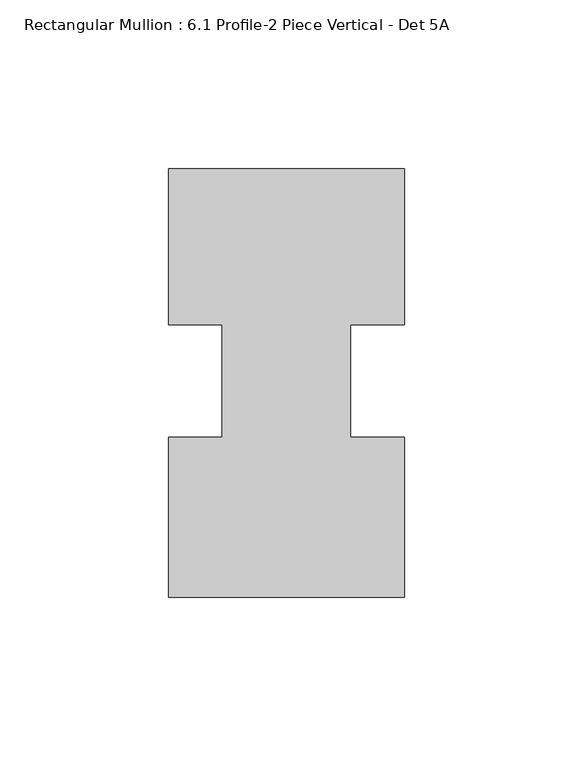
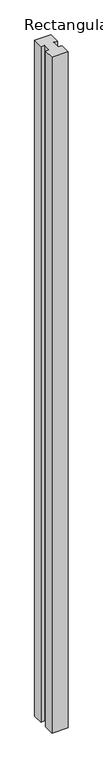
"""IFC4 building model written with IfcOpenShell, lengths in millimetres: member geometry, Rectangular Mullion : 6.1 Profile-2 Piece Vertical - Det 5A."""

import ifcopenshell
import ifcopenshell.guid

model = None  # the IFC model being written
_history = None  # IfcOwnerHistory: only IFC2X3 demands one
_inside = {}  # id of a spatial element -> (the spatial element, [elements in it])
_under = {}  # id of a project, library or spatial element -> (it, [spatial elements below it])
_declared = {}  # id of a project -> (the project, [libraries it declares])
_typed = {}  # id of a type object -> (the type object, [elements of that type])
_made_of = {}  # id of a material, layer set ... -> (it, [elements and type objects made of it])


def new_model(schema):
    """Start an empty IFC model of exactly this schema.

    Asked for "IFC4X3", IfcOpenShell would pick the latest addendum, in which some entities
    have other attributes; the version numbers below select the first issue.
    IFC2X3 requires an IfcOwnerHistory on every rooted entity: one is made here for all.
    """
    global model, _history
    if schema == "IFC4X3":
        model = ifcopenshell.file(schema_version=(4, 3, 0, 0))
    else:
        model = ifcopenshell.file(schema=schema)
    _inside.clear()
    _under.clear()
    _declared.clear()
    _typed.clear()
    _made_of.clear()
    _history = None
    if model.schema == "IFC2X3":
        org = make("IfcOrganization", Name="unknown")
        user = make(
            "IfcPersonAndOrganization",
            ThePerson=make("IfcPerson", FamilyName="unknown"),
            TheOrganization=org,
        )
        app = make(
            "IfcApplication",
            ApplicationDeveloper=org,
            Version="unknown",
            ApplicationFullName="unknown",
            ApplicationIdentifier="unknown",
        )
        _history = make(
            "IfcOwnerHistory",
            OwningUser=user,
            OwningApplication=app,
            ChangeAction="ADDED",
            CreationDate=0,
        )
    return model


def make(cls, **values):
    """One entity of the class cls with the attributes given. An attribute that is None is left unset."""
    return model.create_entity(
        cls, **{name: value for name, value in values.items() if value is not None}
    )


def rooted(cls, **values):
    """An entity with a GlobalId (a new one), such as an element, a storey or a relation."""
    return make(cls, GlobalId=ifcopenshell.guid.new(), OwnerHistory=_history, **values)


def si_unit(unit_type, name, prefix=None):
    """IfcSIUnit, for example si_unit("LENGTHUNIT", "METRE", prefix="MILLI")."""
    return make("IfcSIUnit", UnitType=unit_type, Prefix=prefix, Name=name)


def assignment(units):
    """IfcUnitAssignment: the units of a project."""
    return None if units is None else make("IfcUnitAssignment", Units=units)


def point(xyz):
    """IfcCartesianPoint."""
    return None if xyz is None else make("IfcCartesianPoint", Coordinates=xyz)


def direction(xyz):
    """IfcDirection."""
    return None if xyz is None else make("IfcDirection", DirectionRatios=xyz)


def frame(location, z_axis=None, x_axis=None):
    """IfcAxis2Placement3D, a coordinate frame: its origin and axes. An axis left out is left unset."""
    return make(
        "IfcAxis2Placement3D",
        Location=point(location),
        Axis=direction(z_axis),
        RefDirection=direction(x_axis),
    )


def origin():
    """The frame at (0, 0, 0) with its axes left unset."""
    return frame((0.0, 0.0, 0.0))


def place(relative_to, where):
    """IfcLocalPlacement: puts the frame where relative to a parent placement (None: the world)."""
    return make(
        "IfcLocalPlacement", PlacementRelTo=relative_to, RelativePlacement=where
    )


def context(
    kind, dimensions, precision=None, world=None, true_north=None, identifier=None
):
    """IfcGeometricRepresentationContext, for example the 3D "Model" context."""
    return make(
        "IfcGeometricRepresentationContext",
        ContextIdentifier=identifier,
        ContextType=kind,
        CoordinateSpaceDimension=dimensions,
        Precision=precision,
        WorldCoordinateSystem=world,
        TrueNorth=true_north,
    )


def project(units=None, contexts=None):
    """IfcProject with its units and contexts."""
    return rooted(
        "IfcProject",
        Name="project",
        RepresentationContexts=contexts,
        UnitsInContext=assignment(units),
    )


def spatial(cls, under=None, at=None, **own):
    """A site, building, storey or space (cls), placed at a placement, below another one or the project."""
    s = rooted(cls, ObjectPlacement=at, **own)
    if under is not None:
        _under.setdefault(under.id(), (under, []))[1].append(s)
    return s


def polyline(points):
    """IfcPolyline through the points."""
    return make("IfcPolyline", Points=[point(p) for p in points])


def outline(outer, holes=None, kind="AREA"):
    """IfcArbitraryClosedProfileDef: a profile drawn as a closed curve; with holes, ...WithVoids."""
    if holes is None:
        return make("IfcArbitraryClosedProfileDef", ProfileType=kind, OuterCurve=outer)
    return make(
        "IfcArbitraryProfileDefWithVoids",
        ProfileType=kind,
        OuterCurve=outer,
        InnerCurves=holes,
    )


def extrude(swept, where, along, depth):
    """IfcExtrudedAreaSolid: the profile swept, set in the frame where, extruded along a direction by depth."""
    return make(
        "IfcExtrudedAreaSolid",
        SweptArea=swept,
        Position=where,
        ExtrudedDirection=direction(along),
        Depth=depth,
    )


def shape(context_of_items, identifier, shape_type, items):
    """IfcShapeRepresentation: the items that make up one representation, for example the "Body"."""
    return make(
        "IfcShapeRepresentation",
        ContextOfItems=context_of_items,
        RepresentationIdentifier=identifier,
        RepresentationType=shape_type,
        Items=items,
    )


def source(mapping_origin, context_of_items, identifier, shape_type, items):
    """IfcRepresentationMap: a shape defined once, which mapped items show again and again."""
    return make(
        "IfcRepresentationMap",
        MappingOrigin=mapping_origin,
        MappedRepresentation=shape(context_of_items, identifier, shape_type, items),
    )


def transform(
    local_origin,
    x_axis=None,
    y_axis=None,
    z_axis=None,
    scale=None,
    scale2=None,
    scale3=None,
    uniform=True,
):
    """IfcCartesianTransformationOperator3D, or its non-uniform kind. x_axis, y_axis, z_axis: its Axis1, 2, 3."""
    if uniform:
        return make(
            "IfcCartesianTransformationOperator3D",
            Axis1=direction(x_axis),
            Axis2=direction(y_axis),
            LocalOrigin=point(local_origin),
            Scale=scale,
            Axis3=direction(z_axis),
        )
    return make(
        "IfcCartesianTransformationOperator3DnonUniform",
        Axis1=direction(x_axis),
        Axis2=direction(y_axis),
        LocalOrigin=point(local_origin),
        Scale=scale,
        Axis3=direction(z_axis),
        Scale2=scale2,
        Scale3=scale3,
    )


def mapped(mapping_source, mapping_target):
    """IfcMappedItem: shows the shape of a source again, moved by a transform."""
    return make(
        "IfcMappedItem", MappingSource=mapping_source, MappingTarget=mapping_target
    )


def made_of(thing, what):
    """Note that an element or type object is made of a material, layer set ...; save() writes the relation."""
    if what is not None:
        _made_of.setdefault(what.id(), (what, []))[1].append(thing)
    return thing


def element(
    cls,
    number,
    at=None,
    inside=None,
    cuts=None,
    type_object=None,
    material=None,
    context=None,
    identifier="Body",
    shape_type=None,
    held_by="IfcProductDefinitionShape",
    body=None,
    shapes=None,
    **own,
):
    """One element of the class cls, such as IfcWall. Its Tag is "e" and its number.

    at: its placement. inside: the storey or other place that contains it. cuts: it is an
    opening in that element (IfcRelVoidsElement). A single representation is given by context,
    identifier, shape_type and body (its items); several are given by shapes. held_by: the class
    of the entity that holds the representations. save() writes the other relations.
    """
    e = rooted(cls, Tag="e%d" % number, ObjectPlacement=at, **own)
    if body is not None:
        shapes = [shape(context, identifier, shape_type, body)]
    if shapes is not None:
        e.Representation = make(held_by, Representations=shapes)
    if inside is not None:
        _inside.setdefault(inside.id(), (inside, []))[1].append(e)
    if cuts is not None:
        rooted(
            "IfcRelVoidsElement", RelatingBuildingElement=cuts, RelatedOpeningElement=e
        )
    if type_object is not None:
        _typed.setdefault(type_object.id(), (type_object, []))[1].append(e)
    return made_of(e, material)


def aggregate(whole, parts):
    """IfcRelAggregates: a whole, such as a stair, and the parts it consists of."""
    return rooted("IfcRelAggregates", RelatingObject=whole, RelatedObjects=parts)


def save(model, path):
    """Write the relations noted so far, then the file.

    IfcRelAggregates (storeys below a building ...), IfcRelContainedInSpatialStructure (elements
    in a storey), IfcRelDefinesByType, IfcRelAssociatesMaterial and IfcRelDeclares: one each for
    every whole, place, type object, material and project.
    """
    for whole, parts in _under.values():
        aggregate(whole, parts)
    for where, things in _inside.values():
        rooted(
            "IfcRelContainedInSpatialStructure",
            RelatedElements=things,
            RelatingStructure=where,
        )
    for kind, things in _typed.values():
        rooted("IfcRelDefinesByType", RelatedObjects=things, RelatingType=kind)
    for what, things in _made_of.values():
        rooted("IfcRelAssociatesMaterial", RelatedObjects=things, RelatingMaterial=what)
    for by, libraries in _declared.values():
        rooted("IfcRelDeclares", RelatingContext=by, RelatedDefinitions=libraries)
    model.write(path)


def rectangular_mullion_6_1_profile_2_piece_vertical_det_5a_ca775775(model_context):
    return source(origin(), model_context, "Body", "SweptSolid", [
        extrude(outline(polyline([(-69.85, -59.9394629), (-69.85, -12.4795629), (-53.975, -12.4795629), (-53.975, 20.8792717), (-69.85, 20.8792717), (-69.85, 67.0605371), (0.0, 67.0605371), (0.0, 20.8792717), (-15.875, 20.8792717), (-15.875, -12.4800741), (0.0, -12.4800741), (0.0, -59.9394629), (-69.85, -59.9394629)])), frame((0.0, 0.0, -3048.0), z_axis=(0.0, 0.0, 1.0), x_axis=(1.0, 0.0, 0.0)), (0.0, 0.0, 1.0), 3048.0),
    ])


if __name__ == "__main__":
    model = new_model("IFC4")
    model_context = context("Model", 3, world=origin())
    ifc_project = project(units=[si_unit("LENGTHUNIT", "METRE", prefix="MILLI")], contexts=[model_context])
    site = spatial("IfcSite", under=ifc_project)
    building = spatial("IfcBuilding", under=site)
    placement = place(None, origin())
    rectangular_mullion_6_1_profile_2_piece_vertical_det_5a_shape = rectangular_mullion_6_1_profile_2_piece_vertical_det_5a_ca775775(model_context)
    element("IfcMember", 1, ObjectType="Rectangular Mullion : 6.1 Profile-2 Piece Vertical - Det 5A", at=placement, inside=building, context=model_context, shape_type="MappedRepresentation", body=[
        mapped(rectangular_mullion_6_1_profile_2_piece_vertical_det_5a_shape, transform((0.0, 0.0, 0.0), x_axis=(1.0, 0.0, 0.0), y_axis=(0.0, 1.0, 0.0), z_axis=(0.0, 0.0, 1.0))),
    ])
    save(model, "model.ifc")
